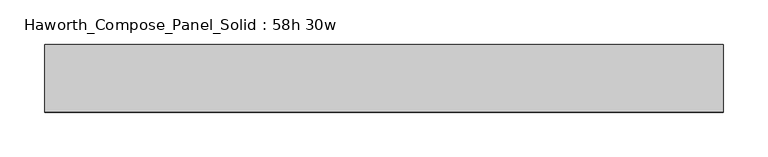
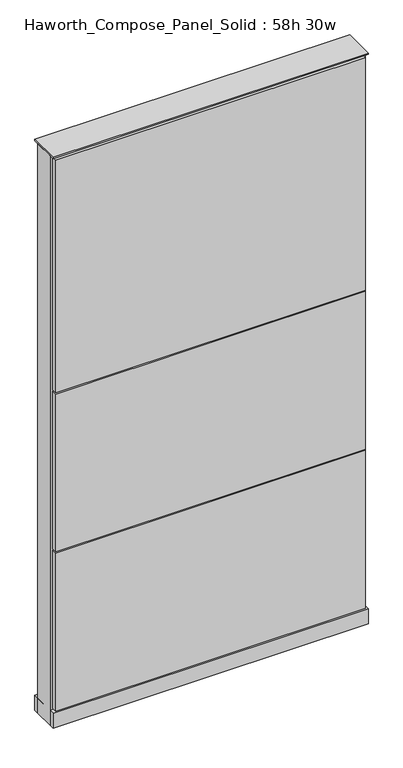
"""IFC4 building model written with IfcOpenShell, lengths in millimetres: furniture geometry, Haworth_Compose_Panel_Solid : 58h 30w."""

from ifc_helpers import new_model, si_unit, point, frame, frame_2d, origin, origin_with_axes, place, context, project, spatial, polyline, circle_curve, trimmed, segment, composite_curve, outline, extrude, source, transform, mapped, element, save


def haworth_compose_panel_solid_58h_30w_e2dc54ee(model_context):
    return source(origin(), model_context, "Body", "SweptSolid", [
        extrude(outline(composite_curve([segment(trimmed(circle_curve(frame_2d((-302.3597098, 0.0)), 12.7), [point((-315.0597098, 0.0))], [point((-289.6597098, 0.0))], False, "CARTESIAN"), True, "CONTINUOUS"), segment(trimmed(circle_curve(frame_2d((-302.3597098, 0.0)), 12.7), [point((-289.6597098, 0.0))], [point((-315.0597098, 0.0))], False, "CARTESIAN"), True, "CONTINUOUS")], self_intersect=False)), origin_with_axes(), (0.0, 0.0, 1.0), 12.7),
        extrude(outline(composite_curve([segment(trimmed(circle_curve(frame_2d((307.2402902, 0.0)), 12.7), [point((294.5402902, 0.0))], [point((319.9402902, 0.0))], False, "CARTESIAN"), True, "CONTINUOUS"), segment(trimmed(circle_curve(frame_2d((307.2402902, 0.0)), 12.7), [point((319.9402902, 0.0))], [point((294.5402902, 0.0))], False, "CARTESIAN"), True, "CONTINUOUS")], self_intersect=False)), origin_with_axes(), (0.0, 0.0, 1.0), 12.7),
        extrude(outline(polyline([(377.0902902, 38.1), (377.0902902, 25.4), (-372.2097098, 25.4), (-372.2097098, 38.1), (377.0902902, 38.1)])), frame((0.0, 0.0, 866.775), z_axis=(0.0, 0.0, 1.0), x_axis=(1.0, 0.0, 0.0)), (0.0, 0.0, 1.0), 593.725),
        extrude(outline(polyline([(377.0902902, 38.1), (377.0902902, 25.4), (-372.2097098, 25.4), (-372.2097098, 38.1), (377.0902902, 38.1)])), frame((0.0, 0.0, 460.375), z_axis=(0.0, 0.0, 1.0), x_axis=(1.0, 0.0, 0.0)), (0.0, 0.0, 1.0), 403.225),
        extrude(outline(polyline([(377.0902902, 38.1), (377.0902902, 25.4), (-372.2097098, 25.4), (-372.2097098, 38.1), (377.0902902, 38.1)])), frame((0.0, 0.0, 53.975), z_axis=(0.0, 0.0, 1.0), x_axis=(1.0, 0.0, 0.0)), (0.0, 0.0, 1.0), 403.225),
        extrude(outline(polyline([(377.0902902, -38.1), (-372.2097098, -38.1), (-372.2097098, -25.4), (377.0902902, -25.4), (377.0902902, -38.1)])), frame((0.0, 0.0, 866.775), z_axis=(0.0, 0.0, 1.0), x_axis=(1.0, 0.0, 0.0)), (0.0, 0.0, 1.0), 593.725),
        extrude(outline(polyline([(377.0902902, -38.1), (-372.2097098, -38.1), (-372.2097098, -25.4), (377.0902902, -25.4), (377.0902902, -38.1)])), frame((0.0, 0.0, 460.375), z_axis=(0.0, 0.0, 1.0), x_axis=(1.0, 0.0, 0.0)), (0.0, 0.0, 1.0), 403.225),
        extrude(outline(polyline([(377.0902902, -38.1), (-372.2097098, -38.1), (-372.2097098, -25.4), (377.0902902, -25.4), (377.0902902, -38.1)])), frame((0.0, 0.0, 53.975), z_axis=(0.0, 0.0, 1.0), x_axis=(1.0, 0.0, 0.0)), (0.0, 0.0, 1.0), 403.225),
        extrude(outline(polyline([(383.4402902, 25.4), (383.4402902, -25.4), (-378.5597098, -25.4), (-378.5597098, 25.4), (383.4402902, 25.4)])), frame((0.0, 0.0, 12.7), z_axis=(0.0, 0.0, 1.0), x_axis=(1.0, 0.0, 0.0)), (0.0, 0.0, 1.0), 1454.15),
        extrude(outline(polyline([(-378.5597098, -38.1), (-378.5597098, 38.1), (383.4402902, 38.1), (383.4402902, -38.1), (-378.5597098, -38.1)])), frame((0.0, 0.0, 12.7), z_axis=(0.0, 0.0, 1.0), x_axis=(1.0, 0.0, 0.0)), (0.0, 0.0, 1.0), 38.1),
        extrude(outline(polyline([(-378.5597098, -38.1), (-378.5597098, 38.1), (383.4402902, 38.1), (383.4402902, -38.1), (-378.5597098, -38.1)])), frame((0.0, 0.0, 1466.85), z_axis=(0.0, 0.0, 1.0), x_axis=(1.0, 0.0, 0.0)), (0.0, 0.0, 1.0), 3.175),
    ])


if __name__ == "__main__":
    model = new_model("IFC4")
    model_context = context("Model", 3, world=origin())
    ifc_project = project(units=[si_unit("LENGTHUNIT", "METRE", prefix="MILLI")], contexts=[model_context])
    site = spatial("IfcSite", under=ifc_project)
    building = spatial("IfcBuilding", under=site)
    placement = place(None, origin())
    haworth_compose_panel_solid_58h_30w_shape = haworth_compose_panel_solid_58h_30w_e2dc54ee(model_context)
    element("IfcFurniture", 1, ObjectType="Haworth_Compose_Panel_Solid : 58h 30w", at=placement, inside=building, context=model_context, shape_type="MappedRepresentation", body=[
        mapped(haworth_compose_panel_solid_58h_30w_shape, transform((0.0, 0.0, 0.0), x_axis=(1.0, 0.0, 0.0), y_axis=(0.0, 1.0, 0.0), z_axis=(0.0, 0.0, 1.0))),
    ])
    save(model, "model.ifc")
